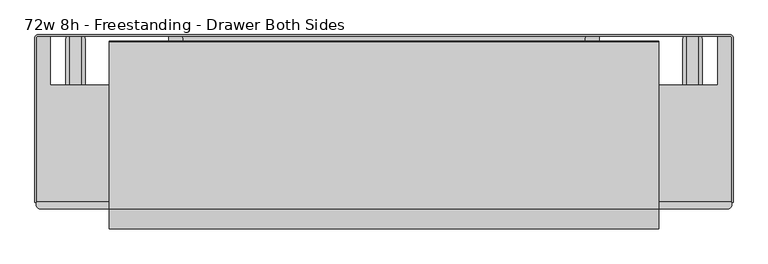
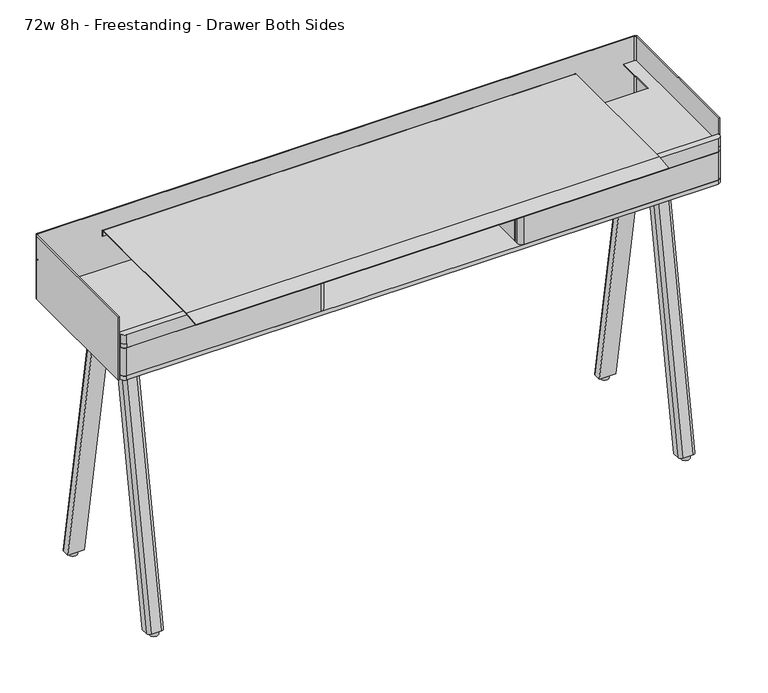
"""IFC4 building model written with IfcOpenShell, lengths in millimetres: furniture geometry, 72w 8h - Freestanding - Drawer Both Sides."""

from ifc_helpers import new_model, si_unit, point, frame, frame_2d, origin, origin_with_axes, place, context, project, spatial, polyline, circle_curve, trimmed, segment, composite_curve, outline, extrude, source, transform, mapped, element, save
from ifc_brep_helpers import plane_surface, cylinder_surface, extruded_surface, advanced_brep


def furniture_72w_8h_freestanding_drawer_both_sides_3a7e3c41(model_context):
    return source(origin(), model_context, "Body", "SolidModel", [
        advanced_brep(
        [(-792.1625, -178.990625, 850.9), (-823.9125, -178.990625, 850.9), (-833.4375, -188.515625, 850.9), (-833.4375, -209.153125, 850.9), (-782.6375, -209.153125, 850.9), (-782.6375, -188.515625, 850.9), (-792.1625, -33.3375, 12.7), (-782.6375, -42.8625, 12.7), (-782.6375, -63.5, 12.7), (-833.4375, -63.5, 12.7), (-833.4375, -42.8625, 12.7), (-823.9125, -33.3375, 12.7)],
        [
            (0, 1),
            (1, 2, circle_curve(frame((-823.9125, -188.515625, 850.9), z_axis=(0.0, 0.0, 1.0), x_axis=(1.0, 0.0, 0.0)), 9.525)),
            (2, 3),
            (3, 4),
            (4, 5),
            (5, 0, circle_curve(frame((-792.1625, -188.515625, 850.9), z_axis=(0.0, 0.0, 1.0), x_axis=(1.0, 0.0, 0.0)), 9.525)),
            (6, 7, circle_curve(frame((-792.1625, -42.8625, 12.7), z_axis=(0.0, 0.0, -1.0), x_axis=(1.0, 0.0, 0.0)), 9.525)),
            (7, 8),
            (8, 9),
            (9, 10),
            (10, 11, circle_curve(frame((-823.9125, -42.8625, 12.7), z_axis=(0.0, 0.0, -1.0), x_axis=(1.0, 0.0, 0.0)), 9.525)),
            (11, 6),
            (6, 0),
            (5, 7),
            (4, 8),
            (3, 9),
            (2, 10),
            (1, 11),
        ],
        [
            plane_surface(frame((-808.0375, -192.2197917, 850.9), z_axis=(0.0, 0.0, 1.0), x_axis=(0.0, 1.0, 0.0))),
            plane_surface(frame((-808.0375, -46.5666667, 12.7), z_axis=(0.0, 0.0, -1.0), x_axis=(0.0, 1.0, 0.0))),
            extruded_surface(trimmed(circle_curve(frame((-792.1625, -42.8625, 12.7), z_axis=(0.0, 0.0, 1.0), x_axis=(1.0, 0.0, 0.0)), 9.525), [point((-782.6375, -42.8625, 12.7))], [point((-792.1625, -33.3375, 12.7))], True, "CARTESIAN"), (0.0, -145.653125, 838.1999999999999), 850.7608787563432),
            plane_surface(frame((-782.6375, -53.18125, 12.7), z_axis=(1.0, 0.0, 0.0), x_axis=(0.0, 1.0, 0.0))),
            plane_surface(frame((-808.0375, -63.5, 12.7), z_axis=(0.0, -0.9852357118551242, -0.17120336470211966), x_axis=(1.0, 0.0, 0.0))),
            plane_surface(frame((-833.4375, -53.18125, 12.7), z_axis=(-1.0, 0.0, 0.0), x_axis=(0.0, -1.0, 0.0))),
            extruded_surface(trimmed(circle_curve(frame((-823.9125, -42.8625, 12.7), z_axis=(0.0, 0.0, 1.0), x_axis=(1.0, 0.0, 0.0)), 9.525), [point((-823.9125, -33.3375, 12.7))], [point((-833.4375, -42.8625, 12.7))], True, "CARTESIAN"), (0.0, -145.653125, 838.1999999999999), 850.7608787563432),
            plane_surface(frame((-808.0375, -33.3375, 12.7), z_axis=(0.0, 0.9852357118551242, 0.17120336470211966), x_axis=(-1.0, 0.0, 0.0))),
        ],
        [
            (0, [[1, 2, 3, 4, 5, 6]]),
            (1, [[7, 8, 9, 10, 11, 12]]),
            (2, [[-7, 13, -6, 14]]),
            (3, [[-8, -14, -5, 15]]),
            (4, [[-9, -15, -4, 16]]),
            (5, [[-10, -16, -3, 17]]),
            (6, [[-11, -17, -2, 18]]),
            (7, [[-12, -18, -1, -13]]),
        ],
    ),
        advanced_brep(
        [(-792.1625, -341.709375, 850.9), (-782.6375, -332.184375, 850.9), (-782.6375, -311.546875, 850.9), (-833.4375, -311.546875, 850.9), (-833.4375, -332.184375, 850.9), (-823.9125, -341.709375, 850.9), (-792.1625, -487.3625, 12.7), (-823.9125, -487.3625, 12.7), (-833.4375, -477.8375, 12.7), (-833.4375, -457.2, 12.7), (-782.6375, -457.2, 12.7), (-782.6375, -477.8375, 12.7)],
        [
            (0, 1, circle_curve(frame((-792.1625, -332.184375, 850.9), z_axis=(0.0, 0.0, 1.0), x_axis=(1.0, 0.0, 0.0)), 9.525)),
            (1, 2),
            (2, 3),
            (3, 4),
            (4, 5, circle_curve(frame((-823.9125, -332.184375, 850.9), z_axis=(0.0, 0.0, 1.0), x_axis=(1.0, 0.0, 0.0)), 9.525)),
            (5, 0),
            (6, 7),
            (7, 8, circle_curve(frame((-823.9125, -477.8375, 12.7), z_axis=(0.0, 0.0, -1.0), x_axis=(1.0, 0.0, 0.0)), 9.525)),
            (8, 9),
            (9, 10),
            (10, 11),
            (11, 6, circle_curve(frame((-792.1625, -477.8375, 12.7), z_axis=(0.0, 0.0, -1.0), x_axis=(1.0, 0.0, 0.0)), 9.525)),
            (11, 1),
            (0, 6),
            (10, 2),
            (9, 3),
            (8, 4),
            (7, 5),
        ],
        [
            plane_surface(frame((-808.0375, -328.4802083, 850.9), z_axis=(0.0, 0.0, 1.0), x_axis=(-1.0, 0.0, 0.0))),
            plane_surface(frame((-808.0375, -474.1333333, 12.7), z_axis=(0.0, 0.0, -1.0), x_axis=(-1.0, 0.0, 0.0))),
            extruded_surface(trimmed(circle_curve(frame((-792.1625, -477.8375, 12.7), z_axis=(0.0, 0.0, 1.0), x_axis=(1.0, 0.0, 0.0)), 9.525), [point((-792.1625, -487.3625, 12.7))], [point((-782.6375, -477.8375, 12.7))], True, "CARTESIAN"), (0.0, 145.653125, 838.1999999999999), 850.7608787563432),
            plane_surface(frame((-782.6375, -467.51875, 12.7), z_axis=(1.0, 0.0, 0.0), x_axis=(0.0, 1.0, 0.0))),
            plane_surface(frame((-808.0375, -457.2, 12.7), z_axis=(0.0, 0.9852357118551246, -0.17120336470211656), x_axis=(-1.0, 0.0, 0.0))),
            plane_surface(frame((-833.4375, -467.51875, 12.7), z_axis=(-1.0, 0.0, 0.0), x_axis=(0.0, -1.0, 0.0))),
            extruded_surface(trimmed(circle_curve(frame((-823.9125, -477.8375, 12.7), z_axis=(0.0, 0.0, 1.0), x_axis=(1.0, 0.0, 0.0)), 9.525), [point((-833.4375, -477.8375, 12.7))], [point((-823.9125, -487.3625, 12.7))], True, "CARTESIAN"), (0.0, 145.653125, 838.1999999999999), 850.7608787563432),
            plane_surface(frame((-808.0375, -487.3625, 12.7), z_axis=(0.0, -0.9852357118551246, 0.17120336470211656), x_axis=(1.0, 0.0, 0.0))),
        ],
        [
            (0, [[1, 2, 3, 4, 5, 6]]),
            (1, [[7, 8, 9, 10, 11, 12]]),
            (2, [[-12, 13, -1, 14]]),
            (3, [[-11, 15, -2, -13]]),
            (4, [[-10, 16, -3, -15]]),
            (5, [[-9, 17, -4, -16]]),
            (6, [[-8, 18, -5, -17]]),
            (7, [[-7, -14, -6, -18]]),
        ],
    ),
        extrude(outline(composite_curve([segment(trimmed(circle_curve(frame_2d((-808.0375, -473.471875)), 12.7), [point((-820.7375, -473.471875))], [point((-795.3375, -473.471875))], False, "CARTESIAN"), True, "CONTINUOUS"), segment(trimmed(circle_curve(frame_2d((-808.0375, -473.471875)), 12.7), [point((-795.3375, -473.471875))], [point((-820.7375, -473.471875))], False, "CARTESIAN"), True, "CONTINUOUS")], self_intersect=False)), origin_with_axes(), (0.0, 0.0, 1.0), 12.7),
        extrude(outline(composite_curve([segment(trimmed(circle_curve(frame_2d((-808.0375, -47.228125)), 12.7), [point((-820.7375, -47.228125))], [point((-795.3375, -47.228125))], False, "CARTESIAN"), True, "CONTINUOUS"), segment(trimmed(circle_curve(frame_2d((-808.0375, -47.228125)), 12.7), [point((-795.3375, -47.228125))], [point((-820.7375, -47.228125))], False, "CARTESIAN"), True, "CONTINUOUS")], self_intersect=False)), origin_with_axes(), (0.0, 0.0, 1.0), 12.7),
        advanced_brep(
        [(823.9125, -178.990625, 850.9), (792.1625, -178.990625, 850.9), (782.6375, -188.515625, 850.9), (782.6375, -209.153125, 850.9), (833.4375, -209.153125, 850.9), (833.4375, -188.515625, 850.9), (823.9125, -33.3375, 12.7), (833.4375, -42.8625, 12.7), (833.4375, -63.5, 12.7), (782.6375, -63.5, 12.7), (782.6375, -42.8625, 12.7), (792.1625, -33.3375, 12.7)],
        [
            (0, 1),
            (1, 2, circle_curve(frame((792.1625, -188.515625, 850.9), z_axis=(0.0, 0.0, 1.0), x_axis=(1.0, 0.0, 0.0)), 9.525)),
            (2, 3),
            (3, 4),
            (4, 5),
            (5, 0, circle_curve(frame((823.9125, -188.515625, 850.9), z_axis=(0.0, 0.0, 1.0), x_axis=(1.0, 0.0, 0.0)), 9.525)),
            (6, 7, circle_curve(frame((823.9125, -42.8625, 12.7), z_axis=(0.0, 0.0, -1.0), x_axis=(1.0, 0.0, 0.0)), 9.525)),
            (7, 8),
            (8, 9),
            (9, 10),
            (10, 11, circle_curve(frame((792.1625, -42.8625, 12.7), z_axis=(0.0, 0.0, -1.0), x_axis=(1.0, 0.0, 0.0)), 9.525)),
            (11, 6),
            (6, 0),
            (5, 7),
            (4, 8),
            (3, 9),
            (2, 10),
            (1, 11),
        ],
        [
            plane_surface(frame((808.0375, -192.2197917, 850.9), z_axis=(0.0, 0.0, 1.0), x_axis=(0.0, 1.0, 0.0))),
            plane_surface(frame((808.0375, -46.5666667, 12.7), z_axis=(0.0, 0.0, -1.0), x_axis=(0.0, 1.0, 0.0))),
            extruded_surface(trimmed(circle_curve(frame((823.9125, -42.8625, 12.7), z_axis=(0.0, 0.0, 1.0), x_axis=(1.0, 0.0, 0.0)), 9.525), [point((833.4375, -42.8625, 12.7))], [point((823.9125, -33.3375, 12.7))], True, "CARTESIAN"), (0.0, -145.653125, 838.1999999999999), 850.7608787563432),
            plane_surface(frame((833.4375, -53.18125, 12.7), z_axis=(1.0, 0.0, 0.0), x_axis=(0.0, 1.0, 0.0))),
            plane_surface(frame((808.0375, -63.5, 12.7), z_axis=(0.0, -0.9852357118551242, -0.17120336470211966), x_axis=(1.0, 0.0, 0.0))),
            plane_surface(frame((782.6375, -53.18125, 12.7), z_axis=(-1.0, 0.0, 0.0), x_axis=(0.0, -1.0, 0.0))),
            extruded_surface(trimmed(circle_curve(frame((792.1625, -42.8625, 12.7), z_axis=(0.0, 0.0, 1.0), x_axis=(1.0, 0.0, 0.0)), 9.525), [point((792.1625, -33.3375, 12.7))], [point((782.6375, -42.8625, 12.7))], True, "CARTESIAN"), (0.0, -145.653125, 838.1999999999999), 850.7608787563432),
            plane_surface(frame((808.0375, -33.3375, 12.7), z_axis=(0.0, 0.9852357118551242, 0.17120336470211966), x_axis=(-1.0, 0.0, 0.0))),
        ],
        [
            (0, [[1, 2, 3, 4, 5, 6]]),
            (1, [[7, 8, 9, 10, 11, 12]]),
            (2, [[-7, 13, -6, 14]]),
            (3, [[-8, -14, -5, 15]]),
            (4, [[-9, -15, -4, 16]]),
            (5, [[-10, -16, -3, 17]]),
            (6, [[-11, -17, -2, 18]]),
            (7, [[-12, -18, -1, -13]]),
        ],
    ),
        advanced_brep(
        [(823.9125, -341.709375, 850.9), (833.4375, -332.184375, 850.9), (833.4375, -311.546875, 850.9), (782.6375, -311.546875, 850.9), (782.6375, -332.184375, 850.9), (792.1625, -341.709375, 850.9), (823.9125, -487.3625, 12.7), (792.1625, -487.3625, 12.7), (782.6375, -477.8375, 12.7), (782.6375, -457.2, 12.7), (833.4375, -457.2, 12.7), (833.4375, -477.8375, 12.7)],
        [
            (0, 1, circle_curve(frame((823.9125, -332.184375, 850.9), z_axis=(0.0, 0.0, 1.0), x_axis=(1.0, 0.0, 0.0)), 9.525)),
            (1, 2),
            (2, 3),
            (3, 4),
            (4, 5, circle_curve(frame((792.1625, -332.184375, 850.9), z_axis=(0.0, 0.0, 1.0), x_axis=(1.0, 0.0, 0.0)), 9.525)),
            (5, 0),
            (6, 7),
            (7, 8, circle_curve(frame((792.1625, -477.8375, 12.7), z_axis=(0.0, 0.0, -1.0), x_axis=(1.0, 0.0, 0.0)), 9.525)),
            (8, 9),
            (9, 10),
            (10, 11),
            (11, 6, circle_curve(frame((823.9125, -477.8375, 12.7), z_axis=(0.0, 0.0, -1.0), x_axis=(1.0, 0.0, 0.0)), 9.525)),
            (11, 1),
            (0, 6),
            (10, 2),
            (9, 3),
            (8, 4),
            (7, 5),
        ],
        [
            plane_surface(frame((808.0375, -328.4802083, 850.9), z_axis=(0.0, 0.0, 1.0), x_axis=(-1.0, 0.0, 0.0))),
            plane_surface(frame((808.0375, -474.1333333, 12.7), z_axis=(0.0, 0.0, -1.0), x_axis=(-1.0, 0.0, 0.0))),
            extruded_surface(trimmed(circle_curve(frame((823.9125, -477.8375, 12.7), z_axis=(0.0, 0.0, 1.0), x_axis=(1.0, 0.0, 0.0)), 9.525), [point((823.9125, -487.3625, 12.7))], [point((833.4375, -477.8375, 12.7))], True, "CARTESIAN"), (0.0, 145.653125, 838.1999999999999), 850.7608787563432),
            plane_surface(frame((833.4375, -467.51875, 12.7), z_axis=(1.0, 0.0, 0.0), x_axis=(0.0, 1.0, 0.0))),
            plane_surface(frame((808.0375, -457.2, 12.7), z_axis=(0.0, 0.9852357118551246, -0.17120336470211656), x_axis=(-1.0, 0.0, 0.0))),
            plane_surface(frame((782.6375, -467.51875, 12.7), z_axis=(-1.0, 0.0, 0.0), x_axis=(0.0, -1.0, 0.0))),
            extruded_surface(trimmed(circle_curve(frame((792.1625, -477.8375, 12.7), z_axis=(0.0, 0.0, 1.0), x_axis=(1.0, 0.0, 0.0)), 9.525), [point((782.6375, -477.8375, 12.7))], [point((792.1625, -487.3625, 12.7))], True, "CARTESIAN"), (0.0, 145.653125, 838.1999999999999), 850.7608787563432),
            plane_surface(frame((808.0375, -487.3625, 12.7), z_axis=(0.0, -0.9852357118551246, 0.17120336470211656), x_axis=(1.0, 0.0, 0.0))),
        ],
        [
            (0, [[1, 2, 3, 4, 5, 6]]),
            (1, [[7, 8, 9, 10, 11, 12]]),
            (2, [[-12, 13, -1, 14]]),
            (3, [[-11, 15, -2, -13]]),
            (4, [[-10, 16, -3, -15]]),
            (5, [[-9, 17, -4, -16]]),
            (6, [[-8, 18, -5, -17]]),
            (7, [[-7, -14, -6, -18]]),
        ],
    ),
        extrude(outline(composite_curve([segment(trimmed(circle_curve(frame_2d((808.0375, -473.471875)), 12.7), [point((795.3375, -473.471875))], [point((820.7375, -473.471875))], False, "CARTESIAN"), True, "CONTINUOUS"), segment(trimmed(circle_curve(frame_2d((808.0375, -473.471875)), 12.7), [point((820.7375, -473.471875))], [point((795.3375, -473.471875))], False, "CARTESIAN"), True, "CONTINUOUS")], self_intersect=False)), origin_with_axes(), (0.0, 0.0, 1.0), 12.7),
        extrude(outline(composite_curve([segment(trimmed(circle_curve(frame_2d((808.0375, -47.228125)), 12.7), [point((795.3375, -47.228125))], [point((820.7375, -47.228125))], False, "CARTESIAN"), True, "CONTINUOUS"), segment(trimmed(circle_curve(frame_2d((808.0375, -47.228125)), 12.7), [point((820.7375, -47.228125))], [point((795.3375, -47.228125))], False, "CARTESIAN"), True, "CONTINUOUS")], self_intersect=False)), origin_with_axes(), (0.0, 0.0, 1.0), 12.7),
        extrude(outline(composite_curve([segment(trimmed(circle_curve(frame_2d((-315.595017, 838.2)), 3.175), [point((-315.595017, 835.025))], [point((-318.770017, 838.2))], False, "CARTESIAN"), True, "CONTINUOUS"), segment(polyline([(-318.770017, 838.2), (-318.770017, 847.9155407)]), True, "CONTINUOUS"), segment(trimmed(circle_curve(frame_2d((-320.357517, 847.9155407)), 1.5875), [point((-318.770017, 847.9155407))], [point((-320.357517, 849.5030407))], True, "CARTESIAN"), True, "CONTINUOUS"), segment(polyline([(-320.357517, 849.5030407), (-334.5180201, 849.5030407), (-334.5180201, 851.0270029), (-320.4210184, 851.0270029)]), True, "CONTINUOUS"), segment(trimmed(circle_curve(frame_2d((-320.4210184, 847.8520029)), 3.175), [point((-320.4210184, 851.0270029))], [point((-317.2460184, 847.8520029))], False, "CARTESIAN"), True, "CONTINUOUS"), segment(polyline([(-317.2460184, 847.8520029), (-317.2460184, 838.1365349)]), True, "CONTINUOUS"), segment(trimmed(circle_curve(frame_2d((-315.6585184, 838.1365349)), 1.5875), [point((-317.2460184, 838.1365349))], [point((-315.6585184, 836.5490349))], True, "CARTESIAN"), True, "CONTINUOUS"), segment(polyline([(-315.6585184, 836.5490349), (-274.3835063, 836.5490349)]), True, "CONTINUOUS"), segment(trimmed(circle_curve(frame_2d((-274.3835063, 838.1365349)), 1.5875), [point((-274.3835063, 836.5490349))], [point((-272.7960063, 838.1365349))], True, "CARTESIAN"), True, "CONTINUOUS"), segment(polyline([(-272.7960063, 838.1365349), (-272.7960063, 847.8520029)]), True, "CONTINUOUS"), segment(trimmed(circle_curve(frame_2d((-269.6210063, 847.8520029)), 3.175), [point((-272.7960063, 847.8520029))], [point((-269.6210063, 851.0270029))], False, "CARTESIAN"), True, "CONTINUOUS"), segment(polyline([(-269.6210063, 851.0270029), (-255.5240228, 851.0270029), (-255.5240228, 849.5030407), (-269.6845078, 849.5030407)]), True, "CONTINUOUS"), segment(trimmed(circle_curve(frame_2d((-269.6845078, 847.9155407)), 1.5875), [point((-269.6845078, 849.5030407))], [point((-271.2720078, 847.9155407))], True, "CARTESIAN"), True, "CONTINUOUS"), segment(polyline([(-271.2720078, 847.9155407), (-271.2720078, 838.2)]), True, "CONTINUOUS"), segment(trimmed(circle_curve(frame_2d((-274.4470078, 838.2)), 3.175), [point((-271.2720078, 838.2))], [point((-274.4470078, 835.025))], False, "CARTESIAN"), True, "CONTINUOUS"), segment(polyline([(-274.4470078, 835.025), (-315.595017, 835.025)]), True, "CONTINUOUS")], self_intersect=False)), frame((-598.4875, 0.0, 0.0), z_axis=(1.0, 0.0, 0.0), x_axis=(0.0, 1.0, 0.0)), (0.0, 0.0, 1.0), 1196.975),
        extrude(outline(composite_curve([segment(polyline([(-540.5872772, 1000.5493443), (-540.8524136, 1002.435857), (-490.3475431, 1009.5339703), (-51.1737385, 1009.5339703)]), True, "CONTINUOUS"), segment(trimmed(circle_curve(frame_2d((-51.1737385, 1006.5440323)), 2.9899379), [point((-51.1737385, 1009.5339703))], [point((-48.1838005, 1006.5440323))], False, "CARTESIAN"), True, "CONTINUOUS"), segment(polyline([(-48.1838005, 1006.5440323), (-48.1838005, 989.2139896), (-50.0887998, 989.2139896), (-50.0887998, 1006.6125916)]), True, "CONTINUOUS"), segment(trimmed(circle_curve(frame_2d((-51.105207, 1006.6125916)), 1.0164071), [point((-50.0887998, 1006.6125916))], [point((-51.1052293, 1007.6289988))], True, "CARTESIAN"), True, "CONTINUOUS"), segment(polyline([(-51.1052293, 1007.6289988), (-490.2825111, 1007.6193342), (-540.5872772, 1000.5493443)]), True, "CONTINUOUS")], self_intersect=False)), frame((-719.1375, 0.0, 0.0), z_axis=(1.0, 0.0, 0.0), x_axis=(0.0, 1.0, 0.0)), (0.0, 0.0, 1.0), 1438.275),
        extrude(outline(composite_curve([segment(polyline([(-564.3244993, -35.9409999), (-533.3682493, -35.9409999)]), True, "CONTINUOUS"), segment(trimmed(circle_curve(frame_2d((-533.3682493, -42.2909999)), 6.35), [point((-533.3682493, -35.9409999))], [point((-527.0182493, -42.2909999))], False, "CARTESIAN"), True, "CONTINUOUS"), segment(polyline([(-527.0182493, -42.2909999), (-527.0182493, -469.8999858), (-911.225, -469.8999858), (-911.225, -42.2909999)]), True, "CONTINUOUS"), segment(trimmed(circle_curve(frame_2d((-904.875, -42.2909999)), 6.35), [point((-911.225, -42.2909999))], [point((-904.875, -35.9409999))], False, "CARTESIAN"), True, "CONTINUOUS"), segment(polyline([(-904.875, -35.9409999), (-873.9237324, -35.9409999), (-873.9237324, -163.4489964), (-564.3244993, -163.4489964), (-564.3244993, -35.9409999)]), True, "CONTINUOUS")], self_intersect=False)), frame((0.0, 0.0, 973.1375), z_axis=(0.0, 0.0, 1.0), x_axis=(1.0, 0.0, 0.0)), (0.0, 0.0, 1.0), 2.9765625),
        extrude(outline(composite_curve([segment(polyline([(564.3244993, -35.9409999), (564.3244993, -163.4489964), (873.9237324, -163.4489964), (873.9237324, -35.9409999), (904.875, -35.9409999)]), True, "CONTINUOUS"), segment(trimmed(circle_curve(frame_2d((904.875, -42.2909999)), 6.35), [point((904.875, -35.9409999))], [point((911.225, -42.2909999))], False, "CARTESIAN"), True, "CONTINUOUS"), segment(polyline([(911.225, -42.2909999), (911.225, -469.8999858), (527.0182493, -469.8999858), (527.0182493, -42.2909999)]), True, "CONTINUOUS"), segment(trimmed(circle_curve(frame_2d((533.3682493, -42.2909999)), 6.35), [point((527.0182493, -42.2909999))], [point((533.3682493, -35.9409999))], False, "CARTESIAN"), True, "CONTINUOUS"), segment(polyline([(533.3682493, -35.9409999), (564.3244993, -35.9409999)]), True, "CONTINUOUS")], self_intersect=False)), frame((0.0, 0.0, 973.1375), z_axis=(0.0, 0.0, 1.0), x_axis=(1.0, 0.0, 0.0)), (0.0, 0.0, 1.0), 2.9765625),
        extrude(outline(composite_curve([segment(trimmed(circle_curve(frame_2d((-906.1648437, -39.9851563)), 8.2351562), [point((-914.4, -39.9851563))], [point((-906.1648437, -31.75))], False, "CARTESIAN"), True, "CONTINUOUS"), segment(polyline([(-906.1648437, -31.75), (906.1648438, -31.75)]), True, "CONTINUOUS"), segment(trimmed(circle_curve(frame_2d((906.1648438, -39.9851563)), 8.2351563), [point((906.1648438, -31.75))], [point((914.4, -39.9851563))], False, "CARTESIAN"), True, "CONTINUOUS"), segment(polyline([(914.4, -39.9851563), (914.4, -471.4748312), (911.225, -471.4748312), (911.225, -39.9851563)]), True, "CONTINUOUS"), segment(trimmed(circle_curve(frame_2d((906.1648438, -39.9851563)), 5.0601563), [point((911.225, -39.9851563))], [point((906.1648438, -34.925))], True, "CARTESIAN"), True, "CONTINUOUS"), segment(polyline([(906.1648438, -34.925), (-906.1648437, -34.925)]), True, "CONTINUOUS"), segment(trimmed(circle_curve(frame_2d((-906.1648437, -39.9851563)), 5.0601563), [point((-906.1648437, -34.925))], [point((-911.225, -39.9851563))], True, "CARTESIAN"), True, "CONTINUOUS"), segment(polyline([(-911.225, -39.9851563), (-911.225, -471.4748312), (-914.4, -471.4748312), (-914.4, -39.9851563)]), True, "CONTINUOUS")], self_intersect=False)), frame((0.0, 0.0, 850.9), z_axis=(0.0, 0.0, 1.0), x_axis=(1.0, 0.0, 0.0)), (0.0, 0.0, 1.0), 203.2),
        extrude(outline(composite_curve([segment(polyline([(898.525, -488.95), (-898.525, -488.95)]), True, "CONTINUOUS"), segment(trimmed(circle_curve(frame_2d((-898.525, -476.25)), 12.7), [point((-898.525, -488.95))], [point((-911.225, -476.25))], False, "CARTESIAN"), True, "CONTINUOUS"), segment(polyline([(-911.225, -476.25), (-911.225, -166.1160172), (-567.5109085, -166.1160172)]), True, "CONTINUOUS"), segment(trimmed(circle_curve(frame_2d((-567.5109085, -158.9722672)), 7.14375), [point((-567.5109085, -166.1160172))], [point((-560.3671585, -158.9722672))], True, "CARTESIAN"), True, "CONTINUOUS"), segment(polyline([(-560.3671585, -158.9722672), (-560.3671585, -34.925), (560.3671948, -34.925), (560.3671948, -158.9722672)]), True, "CONTINUOUS"), segment(trimmed(circle_curve(frame_2d((567.5109448, -158.9722672)), 7.14375), [point((560.3671948, -158.9722672))], [point((567.5109448, -166.1160172))], True, "CARTESIAN"), True, "CONTINUOUS"), segment(polyline([(567.5109448, -166.1160172), (911.225, -166.1160172), (911.225, -476.25)]), True, "CONTINUOUS"), segment(trimmed(circle_curve(frame_2d((898.525, -476.25)), 12.7), [point((911.225, -476.25))], [point((898.525, -488.95))], False, "CARTESIAN"), True, "CONTINUOUS")], self_intersect=False)), frame((0.0, 0.0, 857.2500242), z_axis=(0.0, 0.0, 1.0), x_axis=(1.0, 0.0, 0.0)), (0.0, 0.0, 1.0), 12.6999516),
        extrude(outline(composite_curve([segment(polyline([(865.1875, -457.2000121), (-865.1875, -457.2000121)]), True, "CONTINUOUS"), segment(trimmed(circle_curve(frame_2d((-865.1875, -444.5000121)), 12.7), [point((-865.1875, -457.2000121))], [point((-877.8875, -444.5000121))], False, "CARTESIAN"), True, "CONTINUOUS"), segment(polyline([(-877.8875, -444.5000121), (-877.8875, -166.1160172), (-567.5109085, -166.1160172)]), True, "CONTINUOUS"), segment(trimmed(circle_curve(frame_2d((-567.5109085, -158.9722672)), 7.14375), [point((-567.5109085, -166.1160172))], [point((-560.3671585, -158.9722672))], True, "CARTESIAN"), True, "CONTINUOUS"), segment(polyline([(-560.3671585, -158.9722672), (-560.3671585, -35.1790143), (560.3671948, -35.1790143), (560.3671948, -158.9722672)]), True, "CONTINUOUS"), segment(trimmed(circle_curve(frame_2d((567.5109448, -158.9722672)), 7.14375), [point((560.3671948, -158.9722672))], [point((567.5109448, -166.1160172))], True, "CARTESIAN"), True, "CONTINUOUS"), segment(polyline([(567.5109448, -166.1160172), (877.8875, -166.1160172), (877.8875, -444.5000121)]), True, "CONTINUOUS"), segment(trimmed(circle_curve(frame_2d((865.1875, -444.5000121)), 12.7), [point((877.8875, -444.5000121))], [point((865.1875, -457.2000121))], False, "CARTESIAN"), True, "CONTINUOUS")], self_intersect=False)), frame((0.0, 0.0, 850.9), z_axis=(0.0, 0.0, 1.0), x_axis=(1.0, 0.0, 0.0)), (0.0, 0.0, 1.0), 6.3500242),
        extrude(outline(composite_curve([segment(trimmed(circle_curve(frame_2d((-307.975, -476.25)), 12.7), [point((-295.275, -476.25))], [point((-307.975, -488.95))], False, "CARTESIAN"), True, "CONTINUOUS"), segment(polyline([(-307.975, -488.95), (-898.525, -488.95)]), True, "CONTINUOUS"), segment(trimmed(circle_curve(frame_2d((-898.525, -476.25)), 12.7), [point((-898.525, -488.95))], [point((-911.225, -476.25))], False, "CARTESIAN"), True, "CONTINUOUS"), segment(polyline([(-911.225, -476.25), (-911.225, -468.775168), (-295.275, -468.775168), (-295.275, -476.25)]), True, "CONTINUOUS")], self_intersect=False)), frame((0.0, 0.0, 869.9499758), z_axis=(0.0, 0.0, 1.0), x_axis=(1.0, 0.0, 0.0)), (0.0, 0.0, 1.0), 90.4875),
        extrude(outline(composite_curve([segment(polyline([(295.275, -476.25), (295.275, -468.775168), (911.225, -468.775168), (911.225, -476.25)]), True, "CONTINUOUS"), segment(trimmed(circle_curve(frame_2d((898.525, -476.25)), 12.7), [point((911.225, -476.25))], [point((898.525, -488.95))], False, "CARTESIAN"), True, "CONTINUOUS"), segment(polyline([(898.525, -488.95), (307.975, -488.95)]), True, "CONTINUOUS"), segment(trimmed(circle_curve(frame_2d((307.975, -476.25)), 12.7), [point((307.975, -488.95))], [point((295.275, -476.25))], False, "CARTESIAN"), True, "CONTINUOUS")], self_intersect=False)), frame((0.0, 0.0, 869.9499758), z_axis=(0.0, 0.0, 1.0), x_axis=(1.0, 0.0, 0.0)), (0.0, 0.0, 1.0), 90.4875),
        advanced_brep(
        [(911.225, -166.1160172, 973.1375), (-911.225, -166.1160172, 973.1375), (-911.225, -469.8999858, 973.1375), (911.225, -469.8999858, 973.1375), (-911.225, -166.1160172, 960.4374758), (911.225, -166.1160172, 960.4374758), (911.225, -476.25, 960.4374758), (898.525, -488.95, 960.4374758), (-898.525, -488.95, 960.4374758), (-911.225, -476.25, 960.4374758), (-911.225, -476.25, 973.1375), (-911.225, -476.25, 1002.50625), (-911.225, -469.8999858, 1002.50625), (-898.525, -488.95, 973.1375), (898.525, -488.95, 973.1375), (898.525, -488.95, 1002.50625), (-898.525, -488.95, 1002.50625), (911.225, -476.25, 973.1375), (911.225, -469.8999858, 1002.50625), (911.225, -476.25, 1002.50625)],
        [
            (0, 1),
            (1, 2),
            (2, 3),
            (3, 0),
            (4, 5),
            (5, 6),
            (6, 7, circle_curve(frame((898.525, -476.25, 960.4374758), z_axis=(0.0, 0.0, -1.0), x_axis=(1.0, 0.0, 0.0)), 12.7)),
            (7, 8),
            (8, 9, circle_curve(frame((-898.525, -476.25, 960.4374758), z_axis=(0.0, 0.0, -1.0), x_axis=(1.0, 0.0, 0.0)), 12.7)),
            (9, 4),
            (9, 10),
            (10, 11),
            (11, 12),
            (12, 2),
            (1, 4),
            (8, 13),
            (13, 10, circle_curve(frame((-898.525, -476.25, 973.1375), z_axis=(0.0, 0.0, -1.0), x_axis=(1.0, 0.0, 0.0)), 12.7)),
            (7, 14),
            (14, 15),
            (15, 16),
            (16, 13),
            (6, 17),
            (17, 14, circle_curve(frame((898.525, -476.25, 973.1375), z_axis=(0.0, 0.0, -1.0), x_axis=(1.0, 0.0, 0.0)), 12.7)),
            (5, 0),
            (3, 18),
            (18, 19),
            (19, 17),
            (11, 16, circle_curve(frame((-898.525, -476.25, 1002.50625), z_axis=(0.0, 0.0, 1.0), x_axis=(1.0, 0.0, 0.0)), 12.7)),
            (15, 19, circle_curve(frame((898.525, -476.25, 1002.50625), z_axis=(0.0, 0.0, 1.0), x_axis=(1.0, 0.0, 0.0)), 12.7)),
            (18, 12),
        ],
        [
            plane_surface(frame((-911.225, -476.25, 973.1375), z_axis=(0.0, 0.0, 1.0), x_axis=(0.0, -1.0, 0.0))),
            plane_surface(frame((-911.225, -476.25, 960.4374758), z_axis=(0.0, 0.0, -1.0), x_axis=(0.0, 1.0, 0.0))),
            plane_surface(frame((-911.225, -166.1160172, 973.1375), z_axis=(-1.0, 0.0, 0.0), x_axis=(0.0, 0.0, -1.0))),
            cylinder_surface(frame((-898.525, -476.25, 960.4374758), z_axis=(0.0, 0.0, 1.0), x_axis=(1.0, 0.0, 0.0)), 12.7),
            plane_surface(frame((-898.525, -488.95, 973.1375), z_axis=(0.0, -1.0, 0.0), x_axis=(0.0, 0.0, -1.0))),
            cylinder_surface(frame((898.525, -476.25, 960.4374758), z_axis=(0.0, 0.0, 1.0), x_axis=(1.0, 0.0, 0.0)), 12.7),
            plane_surface(frame((911.225, -476.25, 973.1375), z_axis=(1.0, 0.0, 0.0), x_axis=(0.0, 0.0, -1.0))),
            plane_surface(frame((911.225, -166.1160172, 973.1375), z_axis=(0.0, 1.0, 0.0), x_axis=(0.0, 0.0, -1.0))),
            plane_surface(frame((-911.225, -476.25, 1002.50625), z_axis=(0.0, 0.0, 1.0), x_axis=(-7.929639144560415e-12, -1.0, 0.0))),
            cylinder_surface(frame((-898.525, -476.25, 973.1375), z_axis=(0.0, 0.0, 1.0), x_axis=(1.0, 0.0, 0.0)), 12.7),
            cylinder_surface(frame((898.525, -476.25, 973.1375), z_axis=(0.0, 0.0, 1.0), x_axis=(1.0, 0.0, 0.0)), 12.7),
            plane_surface(frame((911.225, -469.8999858, 1002.50625), z_axis=(0.0, 1.0, 0.0), x_axis=(0.0, 0.0, -1.0))),
        ],
        [
            (0, [[1, 2, 3, 4]]),
            (1, [[5, 6, 7, 8, 9, 10]]),
            (2, [[-10, 11, 12, 13, 14, -2, 15]]),
            (3, [[-9, 16, 17, -11]]),
            (4, [[-8, 18, 19, 20, 21, -16]]),
            (5, [[-7, 22, 23, -18]]),
            (6, [[-6, 24, -4, 25, 26, 27, -22]]),
            (7, [[-1, -24, -5, -15]]),
            (8, [[-13, 28, -20, 29, -26, 30]]),
            (9, [[-28, -12, -17, -21]]),
            (10, [[-29, -19, -23, -27]]),
            (11, [[-30, -25, -3, -14]]),
        ],
    ),
        extrude(outline(polyline([(-295.275, -185.0643922), (-295.275, -464.4644306), (-314.325, -464.4644306), (-314.325, -185.0643922), (-295.275, -185.0643922)])), frame((0.0, 0.0, 869.9499758), z_axis=(0.0, 0.0, 1.0), x_axis=(1.0, 0.0, 0.0)), (0.0, 0.0, 1.0), 90.4875),
        extrude(outline(polyline([(295.275, -185.0643922), (314.325, -185.0643922), (314.325, -464.4644306), (295.275, -464.4644306), (295.275, -185.0643922)])), frame((0.0, 0.0, 869.9499758), z_axis=(0.0, 0.0, 1.0), x_axis=(1.0, 0.0, 0.0)), (0.0, 0.0, 1.0), 90.4875),
    ])


if __name__ == "__main__":
    model = new_model("IFC4")
    model_context = context("Model", 3, world=origin())
    ifc_project = project(units=[si_unit("LENGTHUNIT", "METRE", prefix="MILLI")], contexts=[model_context])
    site = spatial("IfcSite", under=ifc_project)
    building = spatial("IfcBuilding", under=site)
    placement = place(None, origin())
    furniture_72w_8h_freestanding_drawer_both_sides_shape = furniture_72w_8h_freestanding_drawer_both_sides_3a7e3c41(model_context)
    element("IfcFurniture", 1, ObjectType="72w 8h - Freestanding - Drawer Both Sides", at=placement, inside=building, context=model_context, shape_type="MappedRepresentation", body=[
        mapped(furniture_72w_8h_freestanding_drawer_both_sides_shape, transform((0.0, 0.0, 0.0), x_axis=(1.0, 0.0, 0.0), y_axis=(0.0, 1.0, 0.0), z_axis=(0.0, 0.0, 1.0))),
    ])
    save(model, "model.ifc")
